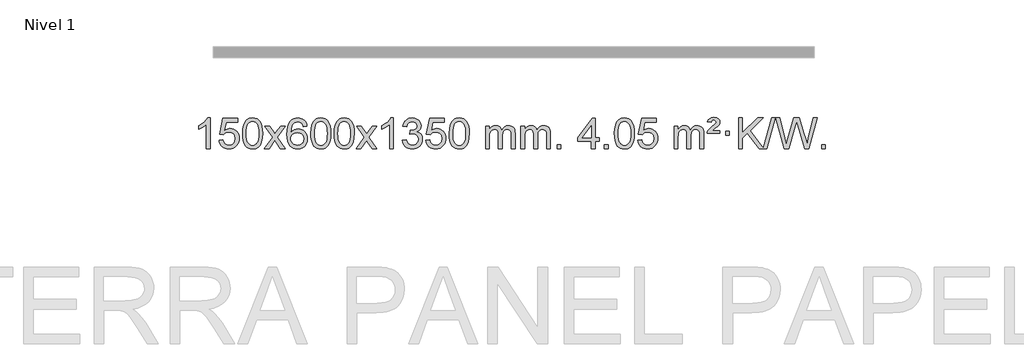
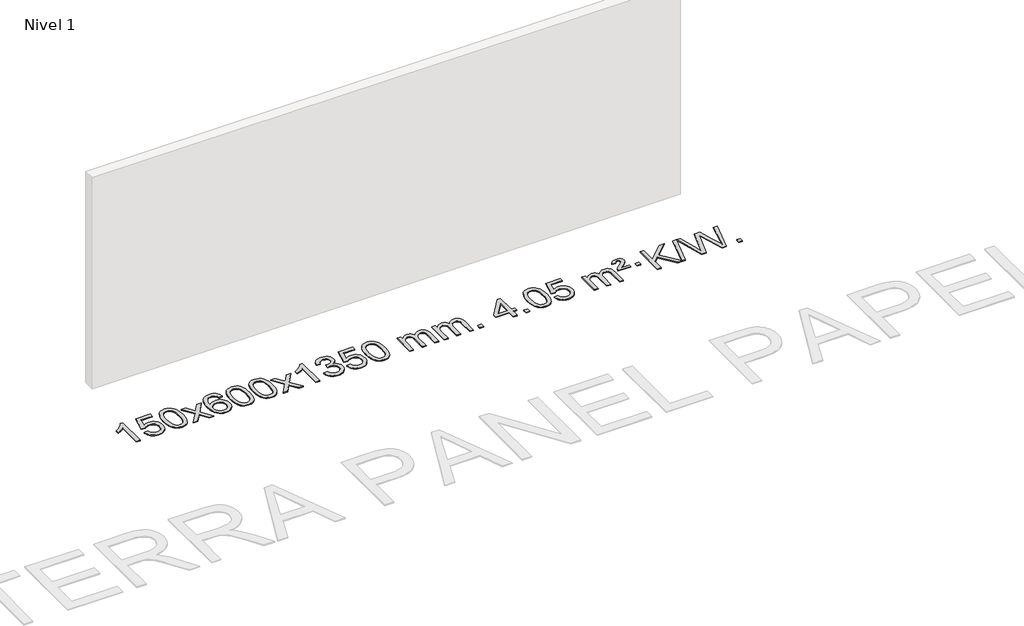
# One storey, part 2 of 8: 1 proxy.
"""IFC4 building model written with IfcOpenShell, lengths in millimetres."""

from ifc_helpers import new_model, si_unit, origin, origin_with_axes, place, context, project, spatial, polyline, outline, extrude, element, save

model = new_model("IFC4")

# Units and contexts
model_context = context("Model", 3, world=origin())
ifc_project = project(units=[si_unit("LENGTHUNIT", "METRE", prefix="MILLI")], contexts=[model_context])

# Site, building, storey
site = spatial("IfcSite", under=ifc_project)
building = spatial("IfcBuilding", under=site)
storey = spatial("IfcBuildingStorey", under=building, Name="Nivel 1", Elevation=0.0)

# Proxy
placement = place(None, origin())
element("IfcBuildingElementProxy", 1, Name="Texto de modelo 1", ObjectType="Texto de modelo 1", at=placement, inside=storey, context=model_context, shape_type="SweptSolid", body=[
    extrude(outline(polyline([(-275.4615788, -15465.579453), (-325.6897338, -15465.579453), (-325.6897338, -15152.4382987), (-346.6590076, -15169.3976587), (-373.2691385, -15186.3324932), (-426.146044, -15211.6918254), (-426.146044, -15164.2105225), (-386.6968314, -15142.7507395), (-352.520594, -15117.219729), (-325.5793692, -15090.0700378), (-307.8351943, -15063.7542124), (-275.4615788, -15063.7542124), (-275.4615788, -15465.579453)])), origin_with_axes(), (0.0, 0.0, 1.0), 10.0),
    extrude(outline(polyline([(-156.1697105, -15358.8446235), (-105.9415554, -15352.5661041), (-96.71998, -15382.7201649), (-80.6312741, -15404.3148381), (-57.749014, -15417.3010725), (-28.1467761, -15421.6298173), (-9.0169124, -15420.1245668), (7.8566085, -15415.6088153), (22.4737864, -15408.0825628), (34.8346214, -15397.5458094), (44.6632021, -15384.519721), (51.6836168, -15369.5254641), (57.2999486, -15333.6324441), (52.0392361, -15299.8363514), (45.4633454, -15285.9181493), (36.2570985, -15273.9865099), (24.3898385, -15264.4154467), (9.8309085, -15257.5789729), (-27.3619612, -15252.1097939), (-51.728012, -15254.2925604), (-71.4587497, -15260.8408599), (-87.2163618, -15270.8717757), (-99.663036, -15283.5023908), (-149.8911911, -15277.2238715), (-105.9415554, -15070.0327318), (88.6925455, -15070.0327318), (88.6925455, -15120.2608869), (-65.3273831, -15120.2608869), (-86.8116916, -15230.919791), (-69.0859108, -15218.2155994), (-50.9309344, -15209.1411769), (-32.3467623, -15203.6965234), (-13.3333945, -15201.8816388), (11.1276925, -15204.1318504), (33.5960854, -15210.882485), (54.0717841, -15222.1335427), (72.5547887, -15237.8850234), (87.855614, -15257.1743027), (98.7847749, -15279.038756), (105.3422715, -15303.4783832), (107.5281037, -15330.4931844), (105.559935, -15356.5147042), (99.655429, -15380.7213394), (89.8145856, -15403.1130902), (76.0374049, -15423.6899565), (55.166233, -15444.7634634), (30.812445, -15459.8159684), (2.9760407, -15468.8474714), (-28.3429799, -15471.8579724), (-54.2633321, -15469.9235262), (-77.6759554, -15464.1201877), (-98.5808498, -15454.447957), (-116.9780152, -15440.9068338), (-132.2849719, -15424.1712688), (-143.91924, -15404.915712), (-151.8808195, -15383.1401636), (-156.1697105, -15358.8446235)])), origin_with_axes(), (0.0, 0.0, 1.0), 10.0),
    extrude(outline(polyline([(151.4777394, -15267.9041943), (155.1688221, -15203.5861588), (166.2420701, -15152.2911459), (184.5871189, -15113.2343407), (196.4451819, -15098.0009605), (210.0936039, -15085.6309284), (225.5783702, -15076.0598651), (242.9454661, -15069.2233914), (283.3266464, -15063.7542124), (314.277785, -15066.991574), (341.9915619, -15076.7036586), (365.1681276, -15092.5103217), (382.5076323, -15114.0314184), (395.6042314, -15141.0830078), (406.05208, -15173.4811488), (412.8946851, -15214.6226186), (415.1755535, -15267.9041943), (411.521259, -15331.8543477), (400.5583756, -15383.0267333), (382.3236913, -15422.1203266), (370.4932195, -15437.3996922), (356.8539945, -15449.8341036), (341.3508341, -15459.4695462), (323.928556, -15466.3520052), (283.3266464, -15471.8579724), (255.6619204, -15469.4667394), (231.1364541, -15462.2930405), (209.7502474, -15450.3368757), (191.5033004, -15433.5982449), (173.9921175, -15403.3399508), (161.4841296, -15365.6381776), (153.9793369, -15320.4929255), (151.4777394, -15267.9041943)]), holes=[polyline([(201.7058944, -15267.8060924), (203.1774224, -15311.4706195), (207.5920064, -15346.8148822), (214.9496463, -15373.8388804), (225.2503421, -15392.5426142), (237.709279, -15405.2682656), (251.5416421, -15414.3580165), (266.7474312, -15419.8118671), (283.3266464, -15421.6298173), (299.9058617, -15419.8057357), (315.1116508, -15414.3334911), (328.9440138, -15405.2130833), (341.4029507, -15392.4445124), (351.7036466, -15373.7101217), (359.0612865, -15346.6922549), (363.4758705, -15311.3909118), (364.9473984, -15267.8060924), (363.5249214, -15225.2973278), (359.2574902, -15190.5753989), (352.145105, -15163.6403055), (342.1877657, -15144.4920476), (329.9372952, -15131.1440625), (315.9455167, -15121.6097875), (300.21243, -15115.8892225), (282.7380352, -15113.9823675), (266.2446591, -15115.6623619), (251.2963874, -15120.7023452), (237.89322, -15129.1023175), (226.0351571, -15140.8622786), (215.3911047, -15161.708925), (207.7882101, -15189.8151094), (203.2264734, -15225.1808319), (201.7058944, -15267.8060924)])]), origin_with_axes(), (0.0, 0.0, 1.0), 10.0),
    extrude(outline(polyline([(440.2896311, -15465.579453), (547.6130718, -15317.2494325), (446.5681504, -15170.4890419), (506.9988995, -15170.4890419), (555.7555266, -15241.122385), (578.5151594, -15274.4770192), (598.2336343, -15247.2047007), (653.7592901, -15170.4890419), (714.1900392, -15170.4890419), (608.0438209, -15317.2494325), (710.2659646, -15465.579453), (649.8352155, -15465.579453), (588.3253459, -15376.4048574), (577.0436314, -15360.1199477), (500.7203801, -15465.579453), (440.2896311, -15465.579453)])), origin_with_axes(), (0.0, 0.0, 1.0), 10.0),
    extrude(outline(polyline([(999.0778563, -15170.4890419), (948.8497012, -15176.7675613), (940.7562973, -15151.874213), (929.8179393, -15134.8780648), (907.0337811, -15119.2062918), (879.4916824, -15113.9823675), (856.1434384, -15117.0235253), (834.1686206, -15126.1469988), (815.2962742, -15145.3627017), (799.8820186, -15171.8134171), (789.4709581, -15209.227016), (785.6081972, -15261.3313693), (805.7558678, -15237.8237098), (829.9011894, -15221.2567573), (856.6952614, -15211.434308), (884.7891831, -15208.1601582), (908.922242, -15210.398107), (931.1913654, -15217.1119534), (951.5965534, -15228.3016975), (970.137806, -15243.9673391), (985.5459302, -15263.1769106), (996.5517332, -15284.9984443), (1003.155215, -15309.4319401), (1005.3563756, -15336.4773982), (1001.2115718, -15372.4439945), (988.7771604, -15405.786366), (969.0832109, -15434.0642287), (943.159793, -15454.8372987), (912.184129, -15467.602804), (877.3334413, -15471.8579724), (847.3909126, -15469.0375437), (820.3485203, -15460.5762579), (796.2062643, -15446.4741147), (774.9641448, -15426.7311143), (757.6460999, -15400.5133908), (745.2760678, -15366.9870783), (737.8540485, -15326.1521768), (735.3800421, -15278.0086864), (738.1268943, -15224.0342663), (746.367451, -15177.9693092), (760.1017122, -15139.8138149), (779.3296778, -15109.5677835), (800.1701928, -15089.5243462), (824.3339085, -15075.2076052), (851.820825, -15066.6175606), (882.6309421, -15063.7542124), (905.7645882, -15065.5261773), (926.7032051, -15070.8420722), (945.4467927, -15079.7018969), (961.9953511, -15092.1056515), (975.9012906, -15107.6364031), (986.7170212, -15125.8772186), (994.4425431, -15146.8280983), (999.0778563, -15170.4890419)]), holes=[polyline([(785.6081972, -15335.6925832), (788.514465, -15357.9494439), (797.2332682, -15379.2007605), (810.7713257, -15397.472233), (828.1353558, -15410.7895612), (849.0923668, -15418.9197533), (873.4093667, -15421.6298173), (906.5555345, -15416.0134855), (920.4706709, -15408.9930708), (932.6138425, -15399.1644901), (942.4638829, -15386.9262824), (949.499626, -15372.6769865), (955.1282206, -15338.1451299), (949.5732024, -15304.9989621), (942.6294298, -15291.3781312), (932.9081481, -15279.725469), (920.7281883, -15270.3904634), (906.4083817, -15263.7226022), (871.3492275, -15258.3883133), (838.2521107, -15263.7226022), (810.5751219, -15279.725469), (799.6520924, -15291.2248471), (791.8499284, -15304.3858254), (787.16863, -15319.2084042), (785.6081972, -15335.6925832)])]), origin_with_axes(), (0.0, 0.0, 1.0), 10.0),
    extrude(outline(polyline([(1049.3060113, -15267.9041943), (1052.997094, -15203.5861588), (1064.0703421, -15152.2911459), (1082.4153909, -15113.2343407), (1094.2734539, -15098.0009605), (1107.9218759, -15085.6309284), (1123.4066422, -15076.0598651), (1140.7737381, -15069.2233914), (1181.1549184, -15063.7542124), (1212.1060569, -15066.991574), (1239.8198339, -15076.7036586), (1262.9963996, -15092.5103217), (1280.3359043, -15114.0314184), (1293.4325033, -15141.0830078), (1303.880352, -15173.4811488), (1310.7229571, -15214.6226186), (1313.0038255, -15267.9041943), (1309.349531, -15331.8543477), (1298.3866475, -15383.0267333), (1280.1519633, -15422.1203266), (1268.3214915, -15437.3996922), (1254.6822665, -15449.8341036), (1239.1791061, -15459.4695462), (1221.7568279, -15466.3520052), (1181.1549184, -15471.8579724), (1153.4901924, -15469.4667394), (1128.964726, -15462.2930405), (1107.5785194, -15450.3368757), (1089.3315724, -15433.5982449), (1071.8203894, -15403.3399508), (1059.3124016, -15365.6381776), (1051.8076089, -15320.4929255), (1049.3060113, -15267.9041943)]), holes=[polyline([(1099.5341664, -15267.8060924), (1101.0056944, -15311.4706195), (1105.4202783, -15346.8148822), (1112.7779182, -15373.8388804), (1123.0786141, -15392.5426142), (1135.537551, -15405.2682656), (1149.369914, -15414.3580165), (1164.5757032, -15419.8118671), (1181.1549184, -15421.6298173), (1197.7341337, -15419.8057357), (1212.9399228, -15414.3334911), (1226.7722858, -15405.2130833), (1239.2312227, -15392.4445124), (1249.5319186, -15373.7101217), (1256.8895585, -15346.6922549), (1261.3041424, -15311.3909118), (1262.7756704, -15267.8060924), (1261.3531934, -15225.2973278), (1257.0857622, -15190.5753989), (1249.973377, -15163.6403055), (1240.0160376, -15144.4920476), (1227.7655672, -15131.1440625), (1213.7737886, -15121.6097875), (1198.040702, -15115.8892225), (1180.5663072, -15113.9823675), (1164.0729311, -15115.6623619), (1149.1246594, -15120.7023452), (1135.721492, -15129.1023175), (1123.863429, -15140.8622786), (1113.2193766, -15161.708925), (1105.6164821, -15189.8151094), (1101.0547453, -15225.1808319), (1099.5341664, -15267.8060924)])]), origin_with_axes(), (0.0, 0.0, 1.0), 10.0),
    extrude(outline(polyline([(1356.9534612, -15267.9041943), (1360.6445439, -15203.5861588), (1371.7177919, -15152.2911459), (1390.0628407, -15113.2343407), (1401.9209037, -15098.0009605), (1415.5693257, -15085.6309284), (1431.054092, -15076.0598651), (1448.4211879, -15069.2233914), (1488.8023682, -15063.7542124), (1519.7535068, -15066.991574), (1547.4672837, -15076.7036586), (1570.6438494, -15092.5103217), (1587.9833541, -15114.0314184), (1601.0799532, -15141.0830078), (1611.5278018, -15173.4811488), (1618.3704069, -15214.6226186), (1620.6512753, -15267.9041943), (1616.9969808, -15331.8543477), (1606.0340974, -15383.0267333), (1587.7994131, -15422.1203266), (1575.9689413, -15437.3996922), (1562.3297163, -15449.8341036), (1546.8265559, -15459.4695462), (1529.4042778, -15466.3520052), (1488.8023682, -15471.8579724), (1461.1376422, -15469.4667394), (1436.6121759, -15462.2930405), (1415.2259692, -15450.3368757), (1396.9790222, -15433.5982449), (1379.4678393, -15403.3399508), (1366.9598514, -15365.6381776), (1359.4550587, -15320.4929255), (1356.9534612, -15267.9041943)]), holes=[polyline([(1407.1816162, -15267.8060924), (1408.6531442, -15311.4706195), (1413.0677282, -15346.8148822), (1420.4253681, -15373.8388804), (1430.7260639, -15392.5426142), (1443.1850008, -15405.2682656), (1457.0173639, -15414.3580165), (1472.223153, -15419.8118671), (1488.8023682, -15421.6298173), (1505.3815835, -15419.8057357), (1520.5873726, -15414.3334911), (1534.4197356, -15405.2130833), (1546.8786725, -15392.4445124), (1557.1793684, -15373.7101217), (1564.5370083, -15346.6922549), (1568.9515923, -15311.3909118), (1570.4231202, -15267.8060924), (1569.0006432, -15225.2973278), (1564.733212, -15190.5753989), (1557.6208268, -15163.6403055), (1547.6634875, -15144.4920476), (1535.413017, -15131.1440625), (1521.4212385, -15121.6097875), (1505.6881518, -15115.8892225), (1488.213757, -15113.9823675), (1471.7203809, -15115.6623619), (1456.7721092, -15120.7023452), (1443.3689418, -15129.1023175), (1431.5108789, -15140.8622786), (1420.8668265, -15161.708925), (1413.2639319, -15189.8151094), (1408.7021952, -15225.1808319), (1407.1816162, -15267.8060924)])]), origin_with_axes(), (0.0, 0.0, 1.0), 10.0),
    extrude(outline(polyline([(1645.7653528, -15465.579453), (1753.0887936, -15317.2494325), (1652.0438722, -15170.4890419), (1712.4746213, -15170.4890419), (1761.2312484, -15241.122385), (1783.9908812, -15274.4770192), (1803.7093561, -15247.2047007), (1859.2350119, -15170.4890419), (1919.665761, -15170.4890419), (1813.5195426, -15317.2494325), (1915.7416864, -15465.579453), (1855.3109373, -15465.579453), (1793.8010677, -15376.4048574), (1782.5193532, -15360.1199477), (1706.1961019, -15465.579453), (1645.7653528, -15465.579453)])), origin_with_axes(), (0.0, 0.0, 1.0), 10.0),
    extrude(outline(polyline([(2135.4898648, -15465.579453), (2085.2617098, -15465.579453), (2085.2617098, -15152.4382987), (2064.292436, -15169.3976587), (2037.682305, -15186.3324932), (1984.8053996, -15211.6918254), (1984.8053996, -15164.2105225), (2024.2546122, -15142.7507395), (2058.4308496, -15117.219729), (2085.3720743, -15090.0700378), (2103.1162492, -15063.7542124), (2135.4898648, -15063.7542124), (2135.4898648, -15465.579453)])), origin_with_axes(), (0.0, 0.0, 1.0), 10.0),
    extrude(outline(polyline([(2254.7817331, -15358.8446235), (2305.0098882, -15352.5661041), (2316.2548145, -15384.1303793), (2332.7236652, -15405.4430095), (2355.2257805, -15417.5831154), (2384.570501, -15421.6298173), (2419.0042558, -15416.0625364), (2433.2780772, -15409.1034354), (2445.5898613, -15399.3606939), (2462.5860095, -15374.4428201), (2468.2513922, -15344.2274455), (2462.6350604, -15315.5449126), (2445.786065, -15292.2825078), (2420.27958, -15276.8682522), (2388.6907794, -15271.730167), (2353.4722097, -15277.2238715), (2359.064016, -15226.9957164), (2367.108369, -15227.5843276), (2397.2011162, -15223.979084), (2424.1055528, -15213.1633534), (2435.1788008, -15204.9841103), (2443.0882637, -15194.8673555), (2447.8339415, -15182.8130888), (2449.415834, -15168.8213102), (2444.8295718, -15147.1285352), (2431.0707852, -15129.5315131), (2410.076986, -15117.8696539), (2383.7856861, -15113.9823675), (2357.4453352, -15117.9064421), (2335.9119758, -15129.6786659), (2320.1911519, -15149.299039), (2311.2884076, -15176.7675613), (2261.0602525, -15170.4890419), (2267.0138095, -15146.5092672), (2275.8491087, -15125.3867093), (2287.5661503, -15107.1213683), (2302.1649341, -15091.713244), (2319.1856078, -15079.4811677), (2338.1683187, -15070.7439703), (2359.113067, -15065.5016519), (2382.0198525, -15063.7542124), (2413.5963904, -15067.2000404), (2442.5977544, -15077.5375245), (2467.0496443, -15093.8469596), (2484.9777602, -15115.2086408), (2495.9774319, -15139.8199463), (2499.6439891, -15165.8782543), (2496.1613729, -15190.1584659), (2485.7135242, -15212.1823347), (2468.4475959, -15230.9443165), (2444.5107408, -15245.4388671), (2475.9523886, -15258.1430586), (2499.2515817, -15279.77452), (2513.6725559, -15309.1560286), (2518.4795473, -15345.1103623), (2516.0760516, -15370.5923218), (2508.8655645, -15394.0631931), (2496.848086, -15415.5229762), (2480.023616, -15434.971671), (2459.5264575, -15451.1094278), (2436.4909133, -15462.636397), (2410.9169832, -15469.5525785), (2382.8046674, -15471.8579724), (2357.3962843, -15469.8898037), (2334.2442441, -15463.9852977), (2313.3485468, -15454.1444543), (2294.7091923, -15440.3672736), (2279.0803389, -15423.4630959), (2267.2161446, -15404.2412617), (2259.1166093, -15382.7017708), (2254.7817331, -15358.8446235)])), origin_with_axes(), (0.0, 0.0, 1.0), 10.0),
    extrude(outline(polyline([(2562.429183, -15358.8446235), (2612.657338, -15352.5661041), (2621.8789134, -15382.7201649), (2637.9676193, -15404.3148381), (2660.8498794, -15417.3010725), (2690.4521173, -15421.6298173), (2709.581981, -15420.1245668), (2726.4555019, -15415.6088153), (2741.0726798, -15408.0825628), (2753.4335149, -15397.5458094), (2763.2620955, -15384.519721), (2770.2825102, -15369.5254641), (2775.898842, -15333.6324441), (2770.6381295, -15299.8363514), (2764.0622388, -15285.9181493), (2754.8559919, -15273.9865099), (2742.9887319, -15264.4154467), (2728.4298019, -15257.5789729), (2691.2369322, -15252.1097939), (2666.8708814, -15254.2925604), (2647.1401437, -15260.8408599), (2631.3825316, -15270.8717757), (2618.9358574, -15283.5023908), (2568.7077023, -15277.2238715), (2612.657338, -15070.0327318), (2807.291439, -15070.0327318), (2807.291439, -15120.2608869), (2653.2715103, -15120.2608869), (2631.7872018, -15230.919791), (2649.5129826, -15218.2155994), (2667.667959, -15209.1411769), (2686.2521312, -15203.6965234), (2705.265499, -15201.8816388), (2729.726586, -15204.1318504), (2752.1949788, -15210.882485), (2772.6706775, -15222.1335427), (2791.1536821, -15237.8850234), (2806.4545074, -15257.1743027), (2817.3836684, -15279.038756), (2823.9411649, -15303.4783832), (2826.1269971, -15330.4931844), (2824.1588284, -15356.5147042), (2818.2543224, -15380.7213394), (2808.413479, -15403.1130902), (2794.6362983, -15423.6899565), (2773.7651265, -15444.7634634), (2749.4113384, -15459.8159684), (2721.5749341, -15468.8474714), (2690.2559136, -15471.8579724), (2664.3355613, -15469.9235262), (2640.922938, -15464.1201877), (2620.0180436, -15454.447957), (2601.6208782, -15440.9068338), (2586.3139215, -15424.1712688), (2574.6796534, -15404.915712), (2566.7180739, -15383.1401636), (2562.429183, -15358.8446235)])), origin_with_axes(), (0.0, 0.0, 1.0), 10.0),
    extrude(outline(polyline([(2870.0766328, -15267.9041943), (2873.7677155, -15203.5861588), (2884.8409635, -15152.2911459), (2903.1860124, -15113.2343407), (2915.0440753, -15098.0009605), (2928.6924974, -15085.6309284), (2944.1772637, -15076.0598651), (2961.5443595, -15069.2233914), (3001.9255399, -15063.7542124), (3032.8766784, -15066.991574), (3060.5904554, -15076.7036586), (3083.7670211, -15092.5103217), (3101.1065258, -15114.0314184), (3114.2031248, -15141.0830078), (3124.6509735, -15173.4811488), (3131.4935786, -15214.6226186), (3133.7744469, -15267.9041943), (3130.1201525, -15331.8543477), (3119.157269, -15383.0267333), (3100.9225848, -15422.1203266), (3089.0921129, -15437.3996922), (3075.452888, -15449.8341036), (3059.9497276, -15459.4695462), (3042.5274494, -15466.3520052), (3001.9255399, -15471.8579724), (2974.2608138, -15469.4667394), (2949.7353475, -15462.2930405), (2928.3491408, -15450.3368757), (2910.1021939, -15433.5982449), (2892.5910109, -15403.3399508), (2880.0830231, -15365.6381776), (2872.5782304, -15320.4929255), (2870.0766328, -15267.9041943)]), holes=[polyline([(2920.3047879, -15267.8060924), (2921.7763158, -15311.4706195), (2926.1908998, -15346.8148822), (2933.5485397, -15373.8388804), (2943.8492356, -15392.5426142), (2956.3081725, -15405.2682656), (2970.1405355, -15414.3580165), (2985.3463246, -15419.8118671), (3001.9255399, -15421.6298173), (3018.5047551, -15419.8057357), (3033.7105442, -15414.3334911), (3047.5429073, -15405.2130833), (3060.0018442, -15392.4445124), (3070.30254, -15373.7101217), (3077.6601799, -15346.6922549), (3082.0747639, -15311.3909118), (3083.5462919, -15267.8060924), (3082.1238148, -15225.2973278), (3077.8563837, -15190.5753989), (3070.7439984, -15163.6403055), (3060.7866591, -15144.4920476), (3048.5361887, -15131.1440625), (3034.5444101, -15121.6097875), (3018.8113234, -15115.8892225), (3001.3369287, -15113.9823675), (2984.8435526, -15115.6623619), (2969.8952808, -15120.7023452), (2956.4921135, -15129.1023175), (2944.6340505, -15140.8622786), (2933.9899981, -15161.708925), (2926.3871035, -15189.8151094), (2921.8253668, -15225.1808319), (2920.3047879, -15267.8060924)])]), origin_with_axes(), (0.0, 0.0, 1.0), 10.0),
    extrude(outline(polyline([(3347.244106, -15465.579453), (3347.244106, -15170.4890419), (3397.4722611, -15170.4890419), (3397.4722611, -15219.0494653), (3412.5799483, -15196.7435537), (3432.0041177, -15179.2691589), (3455.0825815, -15167.9751816), (3481.1531522, -15164.2105225), (3509.0876584, -15168.048758), (3531.4794092, -15179.5634645), (3548.2057772, -15197.9943524), (3559.1441352, -15222.5811324), (3577.4523959, -15197.0439906), (3598.3358304, -15178.803175), (3621.794439, -15167.8586857), (3647.8282215, -15164.2105225), (3667.9360383, -15165.7280358), (3685.585177, -15170.2805755), (3700.7756377, -15177.8681416), (3713.5074204, -15188.4907342), (3723.5720587, -15202.2709806), (3730.761086, -15219.3315082), (3735.0745024, -15239.6723168), (3736.5123078, -15263.2934066), (3736.5123078, -15465.579453), (3686.2841528, -15465.579453), (3686.2841528, -15284.875817), (3685.1191931, -15259.8230531), (3681.6243142, -15242.9372695), (3675.0760146, -15231.3735121), (3664.7507933, -15222.2868268), (3651.4702533, -15216.4007149), (3636.0559977, -15214.4386776), (3608.8449928, -15219.4663982), (3586.6617085, -15234.54956), (3578.0563355, -15246.1194488), (3571.9096405, -15260.7182326), (3566.9922845, -15299.0024856), (3566.9922845, -15465.579453), (3516.7641294, -15465.579453), (3516.7641294, -15279.2840106), (3513.8578616, -15250.8835206), (3505.1390583, -15230.6254854), (3489.7983791, -15218.4853796), (3467.0264836, -15214.4386776), (3447.6758907, -15217.1364789), (3429.8458767, -15225.2298828), (3415.1305968, -15238.5226856), (3405.1242066, -15256.8186835), (3399.3852475, -15282.2025411), (3397.4722611, -15316.7589232), (3397.4722611, -15465.579453), (3347.244106, -15465.579453)])), origin_with_axes(), (0.0, 0.0, 1.0), 10.0),
    extrude(outline(polyline([(3811.8545404, -15465.579453), (3811.8545404, -15170.4890419), (3862.0826955, -15170.4890419), (3862.0826955, -15219.0494653), (3877.1903828, -15196.7435537), (3896.6145521, -15179.2691589), (3919.693016, -15167.9751816), (3945.7635867, -15164.2105225), (3973.6980929, -15168.048758), (3996.0898436, -15179.5634645), (4012.8162117, -15197.9943524), (4023.7545697, -15222.5811324), (4042.0628303, -15197.0439906), (4062.9462649, -15178.803175), (4086.4048734, -15167.8586857), (4112.438656, -15164.2105225), (4132.5464727, -15165.7280358), (4150.1956114, -15170.2805755), (4165.3860721, -15177.8681416), (4178.1178548, -15188.4907342), (4188.1824931, -15202.2709806), (4195.3715204, -15219.3315082), (4199.6849368, -15239.6723168), (4201.1227423, -15263.2934066), (4201.1227423, -15465.579453), (4150.8945872, -15465.579453), (4150.8945872, -15284.875817), (4149.7296276, -15259.8230531), (4146.2347486, -15242.9372695), (4139.6864491, -15231.3735121), (4129.3612278, -15222.2868268), (4116.0806877, -15216.4007149), (4100.6664321, -15214.4386776), (4073.4554272, -15219.4663982), (4051.2721429, -15234.54956), (4042.6667699, -15246.1194488), (4036.5200749, -15260.7182326), (4031.6027189, -15299.0024856), (4031.6027189, -15465.579453), (3981.3745638, -15465.579453), (3981.3745638, -15279.2840106), (3978.4682961, -15250.8835206), (3969.7494928, -15230.6254854), (3954.4088136, -15218.4853796), (3931.6369181, -15214.4386776), (3912.2863251, -15217.1364789), (3894.4563111, -15225.2298828), (3879.7410313, -15238.5226856), (3869.734641, -15256.8186835), (3863.9956819, -15282.2025411), (3862.0826955, -15316.7589232), (3862.0826955, -15465.579453), (3811.8545404, -15465.579453)])), origin_with_axes(), (0.0, 0.0, 1.0), 10.0),
    extrude(outline(polyline([(4289.0220137, -15465.579453), (4289.0220137, -15415.3512979), (4339.2501687, -15415.3512979), (4339.2501687, -15465.579453), (4289.0220137, -15465.579453)])), origin_with_axes(), (0.0, 0.0, 1.0), 10.0),
    extrude(outline(polyline([(4741.0754093, -15465.579453), (4741.0754093, -15371.4016622), (4558.9983472, -15371.4016622), (4558.9983472, -15321.1735072), (4753.6324481, -15070.0327318), (4791.3035644, -15070.0327318), (4791.3035644, -15321.1735072), (4841.5317195, -15321.1735072), (4841.5317195, -15371.4016622), (4791.3035644, -15371.4016622), (4791.3035644, -15465.579453), (4741.0754093, -15465.579453)]), holes=[polyline([(4741.0754093, -15321.1735072), (4741.0754093, -15165.9763561), (4620.8025224, -15321.1735072), (4741.0754093, -15321.1735072)])]), origin_with_axes(), (0.0, 0.0, 1.0), 10.0),
    extrude(outline(polyline([(4910.5954327, -15465.579453), (4910.5954327, -15415.3512979), (4960.8235878, -15415.3512979), (4960.8235878, -15465.579453), (4910.5954327, -15465.579453)])), origin_with_axes(), (0.0, 0.0, 1.0), 10.0),
    extrude(outline(polyline([(5042.4443398, -15267.9041943), (5046.1354225, -15203.5861588), (5057.2086705, -15152.2911459), (5075.5537193, -15113.2343407), (5087.4117823, -15098.0009605), (5101.0602043, -15085.6309284), (5116.5449707, -15076.0598651), (5133.9120665, -15069.2233914), (5174.2932469, -15063.7542124), (5205.2443854, -15066.991574), (5232.9581623, -15076.7036586), (5256.134728, -15092.5103217), (5273.4742328, -15114.0314184), (5286.5708318, -15141.0830078), (5297.0186804, -15173.4811488), (5303.8612856, -15214.6226186), (5306.1421539, -15267.9041943), (5302.4878594, -15331.8543477), (5291.524976, -15383.0267333), (5273.2902918, -15422.1203266), (5261.4598199, -15437.3996922), (5247.820595, -15449.8341036), (5232.3174345, -15459.4695462), (5214.8951564, -15466.3520052), (5174.2932469, -15471.8579724), (5146.6285208, -15469.4667394), (5122.1030545, -15462.2930405), (5100.7168478, -15450.3368757), (5082.4699009, -15433.5982449), (5064.9587179, -15403.3399508), (5052.45073, -15365.6381776), (5044.9459373, -15320.4929255), (5042.4443398, -15267.9041943)]), holes=[polyline([(5092.6724949, -15267.8060924), (5094.1440228, -15311.4706195), (5098.5586068, -15346.8148822), (5105.9162467, -15373.8388804), (5116.2169425, -15392.5426142), (5128.6758794, -15405.2682656), (5142.5082425, -15414.3580165), (5157.7140316, -15419.8118671), (5174.2932469, -15421.6298173), (5190.8724621, -15419.8057357), (5206.0782512, -15414.3334911), (5219.9106143, -15405.2130833), (5232.3695512, -15392.4445124), (5242.670247, -15373.7101217), (5250.0278869, -15346.6922549), (5254.4424709, -15311.3909118), (5255.9139988, -15267.8060924), (5254.4915218, -15225.2973278), (5250.2240907, -15190.5753989), (5243.1117054, -15163.6403055), (5233.1543661, -15144.4920476), (5220.9038956, -15131.1440625), (5206.9121171, -15121.6097875), (5191.1790304, -15115.8892225), (5173.7046357, -15113.9823675), (5157.2112595, -15115.6623619), (5142.2629878, -15120.7023452), (5128.8598204, -15129.1023175), (5117.0017575, -15140.8622786), (5106.3577051, -15161.708925), (5098.7548105, -15189.8151094), (5094.1930738, -15225.1808319), (5092.6724949, -15267.8060924)])]), origin_with_axes(), (0.0, 0.0, 1.0), 10.0),
    extrude(outline(polyline([(5350.0917896, -15358.8446235), (5400.3199447, -15352.5661041), (5409.54152, -15382.7201649), (5425.630226, -15404.3148381), (5448.5124861, -15417.3010725), (5478.1147239, -15421.6298173), (5497.2445877, -15420.1245668), (5514.1181085, -15415.6088153), (5528.7352865, -15408.0825628), (5541.0961215, -15397.5458094), (5550.9247021, -15384.519721), (5557.9451169, -15369.5254641), (5563.5614487, -15333.6324441), (5558.3007361, -15299.8363514), (5551.7248455, -15285.9181493), (5542.5185986, -15273.9865099), (5530.6513385, -15264.4154467), (5516.0924086, -15257.5789729), (5478.8995389, -15252.1097939), (5454.533488, -15254.2925604), (5434.8027504, -15260.8408599), (5419.0451382, -15270.8717757), (5406.5984641, -15283.5023908), (5356.370309, -15277.2238715), (5400.3199447, -15070.0327318), (5594.9540456, -15070.0327318), (5594.9540456, -15120.2608869), (5440.934117, -15120.2608869), (5419.4498084, -15230.919791), (5437.1755892, -15218.2155994), (5455.3305657, -15209.1411769), (5473.9147378, -15203.6965234), (5492.9281056, -15201.8816388), (5517.3891926, -15204.1318504), (5539.8575855, -15210.882485), (5560.3332842, -15222.1335427), (5578.8162887, -15237.8850234), (5594.1171141, -15257.1743027), (5605.046275, -15279.038756), (5611.6037716, -15303.4783832), (5613.7896038, -15330.4931844), (5611.8214351, -15356.5147042), (5605.9169291, -15380.7213394), (5596.0760857, -15403.1130902), (5582.298905, -15423.6899565), (5561.4277331, -15444.7634634), (5537.073945, -15459.8159684), (5509.2375407, -15468.8474714), (5477.9185202, -15471.8579724), (5451.998168, -15469.9235262), (5428.5855447, -15464.1201877), (5407.6806503, -15454.447957), (5389.2834848, -15440.9068338), (5373.9765281, -15424.1712688), (5362.3422601, -15404.915712), (5354.3806805, -15383.1401636), (5350.0917896, -15358.8446235)])), origin_with_axes(), (0.0, 0.0, 1.0), 10.0),
    extrude(outline(polyline([(5827.2592628, -15465.579453), (5827.2592628, -15170.4890419), (5877.4874179, -15170.4890419), (5877.4874179, -15219.0494653), (5892.5951052, -15196.7435537), (5912.0192745, -15179.2691589), (5935.0977383, -15167.9751816), (5961.1683091, -15164.2105225), (5989.1028152, -15168.048758), (6011.494566, -15179.5634645), (6028.2209341, -15197.9943524), (6039.159292, -15222.5811324), (6057.4675527, -15197.0439906), (6078.3509873, -15178.803175), (6101.8095958, -15167.8586857), (6127.8433783, -15164.2105225), (6147.9511951, -15165.7280358), (6165.6003338, -15170.2805755), (6180.7907945, -15177.8681416), (6193.5225772, -15188.4907342), (6203.5872155, -15202.2709806), (6210.7762428, -15219.3315082), (6215.0896592, -15239.6723168), (6216.5274647, -15263.2934066), (6216.5274647, -15465.579453), (6166.2993096, -15465.579453), (6166.2993096, -15284.875817), (6165.1343499, -15259.8230531), (6161.639471, -15242.9372695), (6155.0911715, -15231.3735121), (6144.7659501, -15222.2868268), (6131.4854101, -15216.4007149), (6116.0711545, -15214.4386776), (6088.8601496, -15219.4663982), (6066.6768653, -15234.54956), (6058.0714923, -15246.1194488), (6051.9247973, -15260.7182326), (6047.0074413, -15299.0024856), (6047.0074413, -15465.579453), (5996.7792862, -15465.579453), (5996.7792862, -15279.2840106), (5993.8730184, -15250.8835206), (5985.1542152, -15230.6254854), (5969.813536, -15218.4853796), (5947.0416405, -15214.4386776), (5927.6910475, -15217.1364789), (5909.8610335, -15225.2298828), (5895.1457537, -15238.5226856), (5885.1393634, -15256.8186835), (5879.4004043, -15282.2025411), (5877.4874179, -15316.7589232), (5877.4874179, -15465.579453), (5827.2592628, -15465.579453)])), origin_with_axes(), (0.0, 0.0, 1.0), 10.0),
    extrude(outline(polyline([(6260.4771003, -15264.6668327), (6264.3030731, -15248.8479069), (6272.6417317, -15232.9799302), (6294.1505656, -15207.8413272), (6326.1072483, -15180.1030247), (6370.2530877, -15142.726214), (6377.3899984, -15131.1992448), (6379.7689686, -15119.3779701), (6377.8805077, -15107.2869152), (6372.215125, -15097.5012541), (6362.8463969, -15091.026531), (6349.8478997, -15088.8682899), (6337.4134883, -15090.4869707), (6328.5597949, -15095.343013), (6322.1341227, -15104.8098431), (6316.9837748, -15120.2608869), (6266.7556197, -15113.9823675), (6277.5958759, -15088.7701881), (6294.224142, -15071.2099542), (6317.9893189, -15060.9092583), (6350.2403072, -15057.475693), (6386.0229626, -15061.6082341), (6410.7691581, -15074.0058573), (6425.1901323, -15092.3386434), (6429.9971237, -15114.2766731), (6425.9013708, -15137.1834586), (6413.6141122, -15158.8149199), (6393.0862969, -15178.6314968), (6356.6169284, -15206.6886303), (6331.0123416, -15233.2742358), (6429.9971237, -15233.2742358), (6429.9971237, -15264.6668327), (6260.4771003, -15264.6668327)])), origin_with_axes(), (0.0, 0.0, 1.0), 10.0),
    extrude(outline(polyline([(6505.3393563, -15289.7809102), (6505.3393563, -15239.5527552), (6555.5675114, -15239.5527552), (6555.5675114, -15289.7809102), (6505.3393563, -15289.7809102)])), origin_with_axes(), (0.0, 0.0, 1.0), 10.0),
    extrude(outline(polyline([(6946.2091394, -15465.579453), (6792.7778219, -15262.9009991), (6725.0875348, -15327.4520265), (6725.0875348, -15465.579453), (6674.8593797, -15465.579453), (6674.8593797, -15063.7542124), (6725.0875348, -15063.7542124), (6725.0875348, -15260.4484525), (6931.1014521, -15063.7542124), (7001.3423877, -15063.7542124), (6828.388799, -15228.9577537), (7003.0424089, -15459.5349332), (7114.3557366, -15063.7542124), (7159.6787984, -15063.7542124), (7046.6654495, -15465.579453), (7007.6209071, -15465.579453), (7001.3423877, -15465.579453), (6946.2091394, -15465.579453)])), origin_with_axes(), (0.0, 0.0, 1.0), 10.0),
    extrude(outline(polyline([(7274.1636753, -15465.579453), (7164.5838917, -15063.7542124), (7216.3816766, -15063.7542124), (7279.9516854, -15327.844434), (7299.5720585, -15409.3670841), (7320.5658576, -15337.2622131), (7400.2245723, -15063.7542124), (7474.8800919, -15063.7542124), (7532.7601925, -15262.0180823), (7557.5554389, -15335.5944814), (7575.8269114, -15409.3670841), (7594.8586732, -15330.1988788), (7659.0172932, -15063.7542124), (7710.8150781, -15063.7542124), (7601.1371926, -15465.579453), (7547.4754723, -15465.579453), (7451.1394405, -15155.5775584), (7437.6994849, -15112.3146358), (7422.5917976, -15164.4067263), (7334.7906281, -15465.579453), (7274.1636753, -15465.579453)])), origin_with_axes(), (0.0, 0.0, 1.0), 10.0),
    extrude(outline(polyline([(7767.3217526, -15465.579453), (7767.3217526, -15415.3512979), (7817.5499077, -15415.3512979), (7817.5499077, -15465.579453), (7767.3217526, -15465.579453)])), origin_with_axes(), (0.0, 0.0, 1.0), 10.0),
])

save(model, "model.ifc")
